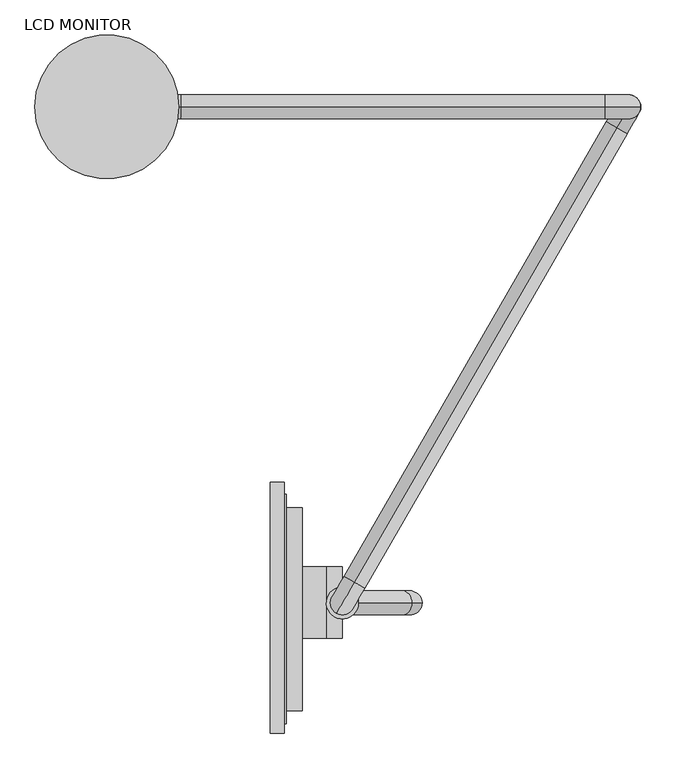
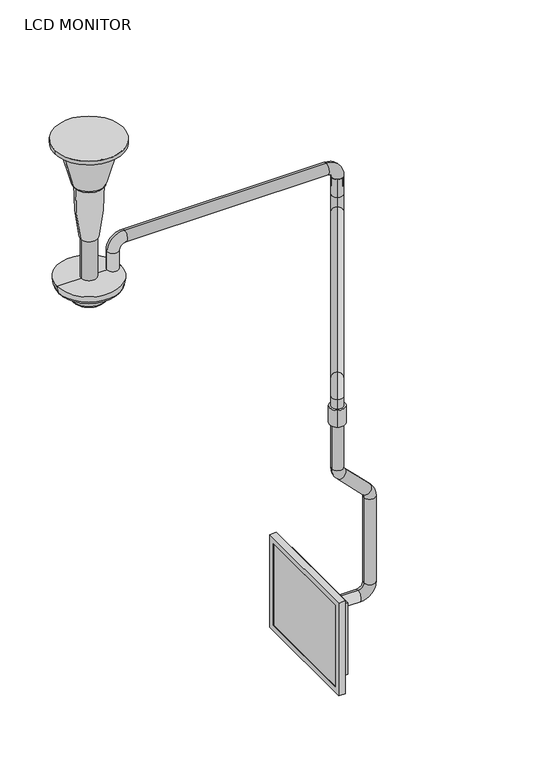
"""IFC4 building model written with IfcOpenShell, lengths in millimetres: proxy geometry, LCD MONITOR."""

from ifc_helpers import new_model, si_unit, point, frame, frame_2d, origin, origin_2d, place, context, project, spatial, polyline, circle_curve, ellipse_curve, trimmed, segment, composite_curve, outline, extrude, source, transform, mapped, element, save
from ifc_brep_helpers import plane_surface, cylinder_surface, revolved_surface, advanced_brep


def lcd_monitor_f162ef87(model_context):
    return source(origin(), model_context, "Body", "SolidModel", [
        extrude(outline(polyline([(261.4965735, -977.1583466), (261.4965735, -619.0183466), (263.0840735, -619.0183466), (263.0840735, -977.1583466), (261.4965735, -977.1583466)])), frame((0.0, 0.0, -1434.8959207), z_axis=(0.0, 0.0, 1.0), x_axis=(1.0, 0.0, 0.0)), (0.0, 0.0, 1.0), 287.02),
        extrude(outline(polyline([(282.1340735, -980.3333466), (282.1340735, -615.8433466), (285.3090735, -615.8433466), (285.3090735, -980.3333466), (282.1340735, -980.3333466)])), frame((0.0, 0.0, -1438.0709207), z_axis=(0.0, 0.0, 1.0), x_axis=(1.0, 0.0, 0.0)), (0.0, 0.0, 1.0), 293.37),
        extrude(outline(composite_curve([segment(trimmed(circle_curve(frame_2d((-1265.1329958, 348.8090735)), 25.4), [point((-1265.1329958, 374.2090735))], [point((-1239.7329958, 348.8090735))], False, "CARTESIAN"), True, "CONTINUOUS"), segment(polyline([(-1239.7329958, 348.8090735), (-1239.7329958, 310.7090735), (-1341.3329958, 310.7090735), (-1341.3329958, 348.8090735)]), True, "CONTINUOUS"), segment(trimmed(circle_curve(frame_2d((-1315.9329958, 348.8090735)), 25.4), [point((-1341.3329958, 348.8090735))], [point((-1315.9329958, 374.2090735))], False, "CARTESIAN"), True, "CONTINUOUS"), segment(polyline([(-1315.9329958, 374.2090735), (-1265.1329958, 374.2090735)]), True, "CONTINUOUS")], self_intersect=False)), frame((0.0, -844.6077391, 0.0), z_axis=(0.0, 1.0, 0.0), x_axis=(0.0, 0.0, 1.0)), (0.0, 0.0, 1.0), 114.3),
        extrude(outline(polyline([(285.3090735, -959.3783466), (285.3090735, -636.7983466), (310.7090735, -636.7983466), (310.7090735, -959.3783466), (285.3090735, -959.3783466)])), frame((0.0, 0.0, -1417.1159207), z_axis=(0.0, 0.0, 1.0), x_axis=(1.0, 0.0, 0.0)), (0.0, 0.0, 1.0), 251.46),
        extrude(outline(polyline([(-994.9383466, -1127.5559207), (-596.1583466, -1127.5559207), (-596.1583466, -1455.2159207), (-994.9383466, -1455.2159207), (-994.9383466, -1127.5559207)]), holes=[polyline([(-974.6183466, -1147.8759207), (-974.6183466, -1434.8959207), (-616.4783466, -1434.8959207), (-616.4783466, -1147.8759207), (-974.6183466, -1147.8759207)])]), frame((259.9090735, 0.0, 0.0), z_axis=(1.0, 0.0, 0.0), x_axis=(0.0, 1.0, 0.0)), (0.0, 0.0, 1.0), 22.225),
        extrude(outline(composite_curve([segment(trimmed(circle_curve(origin_2d(), 114.3), [point((114.3, 0.0))], [point((-114.3, 0.0))], False, "CARTESIAN"), True, "CONTINUOUS"), segment(trimmed(circle_curve(origin_2d(), 114.3), [point((-114.3, 0.0))], [point((114.3, 0.0))], False, "CARTESIAN"), True, "CONTINUOUS")], self_intersect=False)), frame((0.0, 0.0, -12.7), z_axis=(0.0, 0.0, 1.0), x_axis=(1.0, 0.0, 0.0)), (0.0, 0.0, 1.0), 12.7),
        extrude(outline(composite_curve([segment(trimmed(circle_curve(frame_2d((374.396, -788.1541315)), 25.4), [point((387.096, -766.1570863))], [point((361.696, -810.1511768))], False, "CARTESIAN"), True, "CONTINUOUS"), segment(trimmed(circle_curve(frame_2d((374.396, -788.1541315)), 25.4), [point((361.696, -810.1511768))], [point((387.096, -766.1570863))], False, "CARTESIAN"), True, "CONTINUOUS")], self_intersect=False)), frame((0.0, 0.0, -653.8863208), z_axis=(0.0, 0.0, 1.0), x_axis=(1.0, 0.0, 0.0)), (0.0, 0.0, 1.0), 59.0805402),
        advanced_brep(
        [(393.446, -788.1541315, -623.9699224), (355.346, -788.1541315, -623.9699224), (393.446, -788.1541315, -811.3883856), (355.346, -788.1541315, -811.3883856), (372.0848475, -788.1541315, -851.7995382), (399.0256158, -788.1541315, -824.8587698), (484.470226, -788.1541315, -910.30338), (457.5294576, -788.1541315, -937.2441484), (463.1090735, -788.1541315, -950.7145325), (501.2090735, -788.1541315, -950.7145325), (501.2090735, -788.1541315, -1252.4329958), (463.1090735, -788.1541315, -1252.4329958), (444.0590735, -788.1541315, -1271.4829958), (444.0590735, -788.1541315, -1309.5829958), (329.7590735, -788.1541315, -1309.5829958), (329.7590735, -788.1541315, -1271.4829958)],
        [
            (0, 1, circle_curve(frame((374.396, -788.1541315, -623.9699224), z_axis=(0.0, 0.0, 1.0), x_axis=(-1.0, 0.0, 0.0)), 19.05)),
            (1, 0, circle_curve(frame((374.396, -788.1541315, -623.9699224), z_axis=(0.0, 0.0, 1.0), x_axis=(-1.0, 0.0, 0.0)), 19.05)),
            (0, 2),
            (2, 3, circle_curve(frame((374.396, -788.1541315, -811.3883856), z_axis=(0.0, 0.0, 1.0), x_axis=(-1.0, 0.0, 0.0)), 19.05)),
            (3, 1),
            (3, 2, circle_curve(frame((374.396, -788.1541315, -811.3883856), z_axis=(0.0, 0.0, 1.0), x_axis=(-1.0, 0.0, 0.0)), 19.05)),
            (4, 3, circle_curve(frame((412.496, -788.1541315, -811.3883856), z_axis=(0.0, 1.0, 0.0), x_axis=(-1.0, 0.0, 0.0)), 57.15)),
            (2, 5, circle_curve(frame((412.496, -788.1541315, -811.3883856), z_axis=(0.0, -1.0, 0.0), x_axis=(-1.0, 0.0, 0.0)), 19.05)),
            (5, 4, circle_curve(frame((385.5552316, -788.1541315, -838.329154), z_axis=(-0.7071067811865535, 0.0, 0.7071067811865416), x_axis=(-0.7071067811865416, 0.0, -0.7071067811865535)), 19.05)),
            (4, 5, circle_curve(frame((385.5552316, -788.1541315, -838.329154), z_axis=(-0.7071067811865527, 0.0, 0.7071067811865424), x_axis=(-0.7071067811865424, 0.0, -0.7071067811865527)), 19.05)),
            (5, 6),
            (6, 7, circle_curve(frame((470.9998418, -788.1541315, -923.7737642), z_axis=(-0.7071067811865482, 0.0, 0.7071067811865468), x_axis=(-0.7071067811865468, 0.0, -0.7071067811865482)), 19.05)),
            (7, 4),
            (7, 6, circle_curve(frame((470.9998418, -788.1541315, -923.7737642), z_axis=(-0.7071067811865482, 0.0, 0.7071067811865468), x_axis=(-0.7071067811865468, 0.0, -0.7071067811865482)), 19.05)),
            (8, 7, circle_curve(frame((444.0590735, -788.1541315, -950.7145325), z_axis=(0.0, -1.0, 0.0), x_axis=(0.7071067811865466, 0.0, 0.7071067811865486)), 19.05)),
            (6, 9, circle_curve(frame((444.0590735, -788.1541315, -950.7145325), z_axis=(0.0, 1.0, 0.0), x_axis=(0.7071067811865466, 0.0, 0.7071067811865486)), 57.15)),
            (9, 8, circle_curve(frame((482.1590735, -788.1541315, -950.7145325), z_axis=(0.0, 0.0, 1.0), x_axis=(-1.0, 0.0, 0.0)), 19.05)),
            (8, 9, circle_curve(frame((482.1590735, -788.1541315, -950.7145325), z_axis=(0.0, 0.0, 1.0), x_axis=(-1.0, 0.0, 0.0)), 19.05)),
            (9, 10),
            (10, 11, circle_curve(frame((482.1590735, -788.1541315, -1252.4329958), z_axis=(0.0, 0.0, 1.0), x_axis=(-1.0, 0.0, 0.0)), 19.05)),
            (11, 8),
            (11, 10, circle_curve(frame((482.1590735, -788.1541315, -1252.4329958), z_axis=(0.0, 0.0, 1.0), x_axis=(-1.0, 0.0, 0.0)), 19.05)),
            (12, 11, circle_curve(frame((444.0590735, -788.1541315, -1252.4329958), z_axis=(0.0, -1.0, 0.0), x_axis=(1.0, 0.0, 0.0)), 19.05)),
            (10, 13, circle_curve(frame((444.0590735, -788.1541315, -1252.4329958), z_axis=(0.0, 1.0, 0.0), x_axis=(1.0, 0.0, 0.0)), 57.15)),
            (13, 12, circle_curve(frame((444.0590735, -788.1541315, -1290.5329958), z_axis=(1.0, 0.0, 0.0), x_axis=(0.0, 0.0, 1.0)), 19.05)),
            (12, 13, circle_curve(frame((444.0590735, -788.1541315, -1290.5329958), z_axis=(1.0, 0.0, 0.0), x_axis=(0.0, 0.0, 1.0)), 19.05)),
            (14, 15, circle_curve(frame((329.7590735, -788.1541315, -1290.5329958), z_axis=(-1.0, 0.0, 0.0), x_axis=(0.0, 0.0, 1.0)), 19.05)),
            (15, 14, circle_curve(frame((329.7590735, -788.1541315, -1290.5329958), z_axis=(-1.0, 0.0, 0.0), x_axis=(0.0, 0.0, 1.0)), 19.05)),
            (13, 14),
            (15, 12),
        ],
        [
            plane_surface(frame((374.396, -788.1541315, -623.9699224), z_axis=(0.0, 0.0, 1.0), x_axis=(0.0, 1.0, 0.0))),
            cylinder_surface(frame((374.396, -788.1541315, -623.9699224), z_axis=(0.0, 0.0, 1.0), x_axis=(-1.0, 0.0, 0.0)), 19.05),
            revolved_surface(trimmed(ellipse_curve(frame((374.396, -788.1541315, -811.3883856), z_axis=(0.0, 0.0, 1.0), x_axis=(-1.0, 0.0, 0.0)), 19.05, 19.05), [point((393.446, -788.1541315, -811.3883856))], [point((355.346, -788.1541315, -811.3883856))], True, "CARTESIAN"), (412.496, -788.1541315, -811.3883856), (0.0, -1.0, 0.0)),
            revolved_surface(trimmed(ellipse_curve(frame((374.396, -788.1541315, -811.3883856), z_axis=(0.0, 0.0, 1.0), x_axis=(-1.0, 0.0, 0.0)), 19.05, 19.05), [point((355.346, -788.1541315, -811.3883856))], [point((393.446, -788.1541315, -811.3883856))], True, "CARTESIAN"), (412.496, -788.1541315, -811.3883856), (0.0, -1.0, 0.0)),
            cylinder_surface(frame((385.5552316, -788.1541315, -838.329154), z_axis=(-0.7071067811865482, 0.0, 0.7071067811865468), x_axis=(-0.7071067811865468, 0.0, -0.7071067811865482)), 19.05),
            revolved_surface(trimmed(ellipse_curve(frame((470.9998418, -788.1541315, -923.7737642), z_axis=(-0.7071067811865483, 0.0, 0.7071067811865468), x_axis=(-0.7071067811865468, 0.0, -0.7071067811865483)), 19.05, 19.05), [point((484.470226, -788.1541315, -910.30338))], [point((457.5294576, -788.1541315, -937.2441484))], True, "CARTESIAN"), (444.0590735, -788.1541315, -950.7145325), (0.0, 1.0, 0.0)),
            revolved_surface(trimmed(ellipse_curve(frame((470.9998418, -788.1541315, -923.7737642), z_axis=(-0.7071067811865483, 0.0, 0.7071067811865468), x_axis=(-0.7071067811865468, 0.0, -0.7071067811865483)), 19.05, 19.05), [point((457.5294576, -788.1541315, -937.2441484))], [point((484.470226, -788.1541315, -910.30338))], True, "CARTESIAN"), (444.0590735, -788.1541315, -950.7145325), (0.0, 1.0, 0.0)),
            cylinder_surface(frame((482.1590735, -788.1541315, -950.7145325), z_axis=(0.0, 0.0, 1.0), x_axis=(-1.0, 0.0, 0.0)), 19.05),
            revolved_surface(trimmed(ellipse_curve(frame((482.1590735, -788.1541315, -1252.4329958), z_axis=(0.0, 0.0, 1.0), x_axis=(-1.0, 0.0, 0.0)), 19.05, 19.05), [point((501.2090735, -788.1541315, -1252.4329958))], [point((463.1090735, -788.1541315, -1252.4329958))], True, "CARTESIAN"), (444.0590735, -788.1541315, -1252.4329958), (0.0, 1.0, 0.0)),
            revolved_surface(trimmed(ellipse_curve(frame((482.1590735, -788.1541315, -1252.4329958), z_axis=(0.0, 0.0, 1.0), x_axis=(-1.0, 0.0, 0.0)), 19.05, 19.05), [point((463.1090735, -788.1541315, -1252.4329958))], [point((501.2090735, -788.1541315, -1252.4329958))], True, "CARTESIAN"), (444.0590735, -788.1541315, -1252.4329958), (0.0, 1.0, 0.0)),
            plane_surface(frame((329.7590735, -788.1541315, -1290.5329958), z_axis=(-1.0, 0.0, 0.0), x_axis=(0.0, 1.0, 0.0))),
            cylinder_surface(frame((444.0590735, -788.1541315, -1290.5329958), z_axis=(1.0, 0.0, 0.0), x_axis=(0.0, 0.0, 1.0)), 19.05),
        ],
        [
            (0, [[1, 2]]),
            (1, [[-1, 3, 4, 5]]),
            (1, [[-2, -5, 6, -3]]),
            (2, [[7, -4, 8, 9]]),
            (3, [[-8, -6, -7, 10]]),
            (4, [[-9, 11, 12, 13]]),
            (4, [[-10, -13, 14, -11]]),
            (5, [[15, -12, 16, 17]]),
            (6, [[-16, -14, -15, 18]]),
            (7, [[-17, 19, 20, 21]]),
            (7, [[-18, -21, 22, -19]]),
            (8, [[23, -20, 24, 25]]),
            (9, [[-24, -22, -23, 26]]),
            (10, [[27, 28]]),
            (11, [[-25, 29, -28, 30]]),
            (11, [[-26, -30, -27, -29]]),
        ],
    ),
        advanced_brep(
        [(838.962, 16.4977839, -420.7699224), (819.912, -16.4977839, -420.7699224), (838.962, 16.4977839, -484.2699224), (819.912, -16.4977839, -484.2699224), (810.387, -32.9955679, -503.3199224), (810.387, -32.9955679, -541.4199224), (393.446, -755.1585636, -541.4199224), (393.446, -755.1585636, -503.3199224), (364.871, -804.6519155, -560.4699224), (383.921, -771.6563476, -560.4699224), (383.921, -771.6563476, -623.9699224), (364.871, -804.6519155, -623.9699224)],
        [
            (0, 1, circle_curve(frame((829.437, 0.0, -420.7699224), z_axis=(0.0, 0.0, 1.0), x_axis=(-0.4999999999999979, -0.8660254037844399, 0.0)), 19.05)),
            (1, 0, circle_curve(frame((829.437, 0.0, -420.7699224), z_axis=(0.0, 0.0, 1.0), x_axis=(-0.4999999999999979, -0.8660254037844399, 0.0)), 19.05)),
            (0, 2),
            (2, 3, circle_curve(frame((829.437, 0.0, -484.2699224), z_axis=(0.0, 0.0, 1.0), x_axis=(-0.4999999999999979, -0.8660254037844399, 0.0)), 19.05)),
            (3, 1),
            (3, 2, circle_curve(frame((829.437, 0.0, -484.2699224), z_axis=(0.0, 0.0, 1.0), x_axis=(-0.4999999999999979, -0.8660254037844399, 0.0)), 19.05)),
            (4, 3, circle_curve(frame((810.387, -32.9955679, -484.2699224), z_axis=(0.8660254037844399, -0.4999999999999979, 0.0), x_axis=(0.4999999999999979, 0.8660254037844399, 0.0)), 19.05)),
            (2, 5, circle_curve(frame((810.387, -32.9955679, -484.2699224), z_axis=(-0.8660254037844399, 0.4999999999999979, 0.0), x_axis=(0.4999999999999979, 0.8660254037844399, 0.0)), 57.15)),
            (5, 4, circle_curve(frame((810.387, -32.9955679, -522.3699224), z_axis=(0.4999999999999979, 0.8660254037844399, 0.0), x_axis=(0.0, 0.0, 1.0)), 19.05)),
            (4, 5, circle_curve(frame((810.387, -32.9955679, -522.3699224), z_axis=(0.4999999999999979, 0.8660254037844399, 0.0), x_axis=(0.0, 0.0, 1.0)), 19.05)),
            (5, 6),
            (6, 7, circle_curve(frame((393.446, -755.1585636, -522.3699224), z_axis=(0.49999999999999795, 0.8660254037844399, 0.0), x_axis=(0.0, 0.0, 1.0)), 19.05)),
            (7, 4),
            (7, 6, circle_curve(frame((393.446, -755.1585636, -522.3699224), z_axis=(0.49999999999999795, 0.8660254037844399, 0.0), x_axis=(0.0, 0.0, 1.0)), 19.05)),
            (8, 7, circle_curve(frame((393.446, -755.1585636, -560.4699224), z_axis=(-0.8660254037844399, 0.4999999999999979, 0.0), x_axis=(0.0, 0.0, 1.0)), 57.15)),
            (6, 9, circle_curve(frame((393.446, -755.1585636, -560.4699224), z_axis=(0.8660254037844399, -0.4999999999999979, 0.0), x_axis=(0.0, 0.0, 1.0)), 19.05)),
            (9, 8, circle_curve(frame((374.396, -788.1541315, -560.4699224), z_axis=(0.0, 0.0, 1.0), x_axis=(-0.499999999999998, -0.8660254037844398, 0.0)), 19.05)),
            (8, 9, circle_curve(frame((374.396, -788.1541315, -560.4699224), z_axis=(0.0, 0.0, 1.0), x_axis=(-0.499999999999998, -0.8660254037844398, 0.0)), 19.05)),
            (10, 11, circle_curve(frame((374.396, -788.1541315, -623.9699224), z_axis=(0.0, 0.0, -1.0), x_axis=(-0.499999999999998, -0.8660254037844399, 0.0)), 19.05)),
            (11, 10, circle_curve(frame((374.396, -788.1541315, -623.9699224), z_axis=(0.0, 0.0, -1.0), x_axis=(-0.499999999999998, -0.8660254037844399, 0.0)), 19.05)),
            (9, 10),
            (11, 8),
        ],
        [
            plane_surface(frame((829.437, 0.0, -420.7699224), z_axis=(0.0, 0.0, 1.0), x_axis=(-0.8660254037844399, 0.4999999999999979, 0.0))),
            cylinder_surface(frame((829.437, 0.0, -420.7699224), z_axis=(0.0, 0.0, 1.0), x_axis=(-0.4999999999999979, -0.8660254037844399, 0.0)), 19.05),
            revolved_surface(trimmed(ellipse_curve(frame((829.437, 0.0, -484.2699224), z_axis=(0.0, 0.0, 1.0), x_axis=(-0.4999999999999979, -0.8660254037844399, 0.0)), 19.05, 19.05), [point((838.962, 16.4977839, -484.2699224))], [point((819.912, -16.4977839, -484.2699224))], True, "CARTESIAN"), (810.387, -32.9955679, -484.2699224), (-0.8660254037844399, 0.4999999999999979, 0.0)),
            revolved_surface(trimmed(ellipse_curve(frame((829.437, 0.0, -484.2699224), z_axis=(0.0, 0.0, 1.0), x_axis=(-0.4999999999999979, -0.8660254037844399, 0.0)), 19.05, 19.05), [point((819.912, -16.4977839, -484.2699224))], [point((838.962, 16.4977839, -484.2699224))], True, "CARTESIAN"), (810.387, -32.9955679, -484.2699224), (-0.8660254037844399, 0.4999999999999979, 0.0)),
            cylinder_surface(frame((810.387, -32.9955679, -522.3699224), z_axis=(0.49999999999999795, 0.8660254037844399, 0.0), x_axis=(0.0, 0.0, 1.0)), 19.05),
            revolved_surface(trimmed(ellipse_curve(frame((393.446, -755.1585636, -522.3699224), z_axis=(0.49999999999999795, 0.8660254037844399, 0.0), x_axis=(0.0, 0.0, 1.0)), 19.05, 19.05), [point((393.446, -755.1585636, -541.4199224))], [point((393.446, -755.1585636, -503.3199224))], True, "CARTESIAN"), (393.446, -755.1585636, -560.4699224), (0.8660254037844399, -0.4999999999999979, 0.0)),
            revolved_surface(trimmed(ellipse_curve(frame((393.446, -755.1585636, -522.3699224), z_axis=(0.49999999999999795, 0.8660254037844399, 0.0), x_axis=(0.0, 0.0, 1.0)), 19.05, 19.05), [point((393.446, -755.1585636, -503.3199224))], [point((393.446, -755.1585636, -541.4199224))], True, "CARTESIAN"), (393.446, -755.1585636, -560.4699224), (0.8660254037844399, -0.4999999999999979, 0.0)),
            plane_surface(frame((374.396, -788.1541315, -623.9699224), z_axis=(0.0, 0.0, -1.0000000000000002), x_axis=(-0.8660254037844399, 0.499999999999998, 0.0))),
            cylinder_surface(frame((374.396, -788.1541315, -560.4699224), z_axis=(0.0, 0.0, 1.0000000000000002), x_axis=(-0.499999999999998, -0.8660254037844399, 0.0)), 19.05),
        ],
        [
            (0, [[1, 2]]),
            (1, [[-1, 3, 4, 5]]),
            (1, [[-2, -5, 6, -3]]),
            (2, [[7, -4, 8, 9]]),
            (3, [[-8, -6, -7, 10]]),
            (4, [[-9, 11, 12, 13]]),
            (4, [[-10, -13, 14, -11]]),
            (5, [[15, -12, 16, 17]]),
            (6, [[-16, -14, -15, 18]]),
            (7, [[19, 20]]),
            (8, [[-17, 21, -20, 22]]),
            (8, [[-18, -22, -19, -21]]),
        ],
    ),
        advanced_brep(
        [(60.325, 0.0, -484.2699224), (98.425, 0.0, -484.2699224), (60.325, 0.0, -420.7699224), (98.425, 0.0, -420.7699224), (117.475, 0.0, -401.7199224), (117.475, 0.0, -363.6199224), (791.337, 0.0, -363.6199224), (791.337, 0.0, -401.7199224), (810.387, 0.0, -420.7699224), (848.487, 0.0, -420.7699224), (848.487, 0.0, -452.5199224), (810.387, 0.0, -452.5199224)],
        [
            (0, 1, circle_curve(frame((79.375, 0.0, -484.2699224), z_axis=(0.0, 0.0, -1.0), x_axis=(1.0, 0.0, 0.0)), 19.05)),
            (1, 0, circle_curve(frame((79.375, 0.0, -484.2699224), z_axis=(0.0, 0.0, -1.0), x_axis=(1.0, 0.0, 0.0)), 19.05)),
            (0, 2),
            (2, 3, circle_curve(frame((79.375, 0.0, -420.7699224), z_axis=(0.0, 0.0, -1.0), x_axis=(1.0, 0.0, 0.0)), 19.05)),
            (3, 1),
            (3, 2, circle_curve(frame((79.375, 0.0, -420.7699224), z_axis=(0.0, 0.0, -1.0), x_axis=(1.0, 0.0, 0.0)), 19.05)),
            (4, 3, circle_curve(frame((117.475, 0.0, -420.7699224), z_axis=(0.0, -1.0, 0.0), x_axis=(-1.0, 0.0, 0.0)), 19.05)),
            (2, 5, circle_curve(frame((117.475, 0.0, -420.7699224), z_axis=(0.0, 1.0, 0.0), x_axis=(-1.0, 0.0, 0.0)), 57.15)),
            (5, 4, circle_curve(frame((117.475, 0.0, -382.6699224), z_axis=(-1.0, 0.0, 0.0), x_axis=(0.0, 0.0, -1.0)), 19.05)),
            (4, 5, circle_curve(frame((117.475, 0.0, -382.6699224), z_axis=(-1.0, 0.0, 0.0), x_axis=(0.0, 0.0, -1.0)), 19.05)),
            (5, 6),
            (6, 7, circle_curve(frame((791.337, 0.0, -382.6699224), z_axis=(-1.0, 0.0, 0.0), x_axis=(0.0, 0.0, -1.0)), 19.05)),
            (7, 4),
            (7, 6, circle_curve(frame((791.337, 0.0, -382.6699224), z_axis=(-1.0, 0.0, 0.0), x_axis=(0.0, 0.0, -1.0)), 19.05)),
            (8, 7, circle_curve(frame((791.337, 0.0, -420.7699224), z_axis=(0.0, -1.0, 0.0), x_axis=(0.0, 0.0, 1.0)), 19.05)),
            (6, 9, circle_curve(frame((791.337, 0.0, -420.7699224), z_axis=(0.0, 1.0, 0.0), x_axis=(0.0, 0.0, 1.0)), 57.15)),
            (9, 8, circle_curve(frame((829.437, 0.0, -420.7699224), z_axis=(0.0, 0.0, 1.0), x_axis=(-1.0, 0.0, 0.0)), 19.05)),
            (8, 9, circle_curve(frame((829.437, 0.0, -420.7699224), z_axis=(0.0, 0.0, 1.0), x_axis=(-1.0, 0.0, 0.0)), 19.05)),
            (10, 11, circle_curve(frame((829.437, 0.0, -452.5199224), z_axis=(0.0, 0.0, -1.0), x_axis=(-1.0, 0.0, 0.0)), 19.05)),
            (11, 10, circle_curve(frame((829.437, 0.0, -452.5199224), z_axis=(0.0, 0.0, -1.0), x_axis=(-1.0, 0.0, 0.0)), 19.05)),
            (9, 10),
            (11, 8),
        ],
        [
            plane_surface(frame((79.375, 0.0, -484.2699224), z_axis=(0.0, 0.0, -1.0), x_axis=(0.0, -1.0, 0.0))),
            cylinder_surface(frame((79.375, 0.0, -484.2699224), z_axis=(0.0, 0.0, -1.0), x_axis=(1.0, 0.0, 0.0)), 19.05),
            revolved_surface(trimmed(ellipse_curve(frame((79.375, 0.0, -420.7699224), z_axis=(0.0, 0.0, -1.0), x_axis=(1.0, 0.0, 0.0)), 19.05, 19.05), [point((60.325, 0.0, -420.7699224))], [point((98.425, 0.0, -420.7699224))], True, "CARTESIAN"), (117.475, 0.0, -420.7699224), (0.0, 1.0, 0.0)),
            revolved_surface(trimmed(ellipse_curve(frame((79.375, 0.0, -420.7699224), z_axis=(0.0, 0.0, -1.0), x_axis=(1.0, 0.0, 0.0)), 19.05, 19.05), [point((98.425, 0.0, -420.7699224))], [point((60.325, 0.0, -420.7699224))], True, "CARTESIAN"), (117.475, 0.0, -420.7699224), (0.0, 1.0, 0.0)),
            cylinder_surface(frame((117.475, 0.0, -382.6699224), z_axis=(-1.0, 0.0, 0.0), x_axis=(0.0, 0.0, -1.0)), 19.05),
            revolved_surface(trimmed(ellipse_curve(frame((791.337, 0.0, -382.6699224), z_axis=(-1.0, 0.0, 0.0), x_axis=(0.0, 0.0, -1.0)), 19.05, 19.05), [point((791.337, 0.0, -363.6199224))], [point((791.337, 0.0, -401.7199224))], True, "CARTESIAN"), (791.337, 0.0, -420.7699224), (0.0, 1.0, 0.0)),
            revolved_surface(trimmed(ellipse_curve(frame((791.337, 0.0, -382.6699224), z_axis=(-1.0, 0.0, 0.0), x_axis=(0.0, 0.0, -1.0)), 19.05, 19.05), [point((791.337, 0.0, -401.7199224))], [point((791.337, 0.0, -363.6199224))], True, "CARTESIAN"), (791.337, 0.0, -420.7699224), (0.0, 1.0, 0.0)),
            plane_surface(frame((829.437, 0.0, -452.5199224), z_axis=(0.0, 0.0, -1.0), x_axis=(0.0, -1.0, 0.0))),
            cylinder_surface(frame((829.437, 0.0, -420.7699224), z_axis=(0.0, 0.0, 1.0), x_axis=(-1.0, 0.0, 0.0)), 19.05),
        ],
        [
            (0, [[1, 2]]),
            (1, [[-1, 3, 4, 5]]),
            (1, [[-2, -5, 6, -3]]),
            (2, [[7, -4, 8, 9]]),
            (3, [[-8, -6, -7, 10]]),
            (4, [[-9, 11, 12, 13]]),
            (4, [[-10, -13, 14, -11]]),
            (5, [[15, -12, 16, 17]]),
            (6, [[-16, -14, -15, 18]]),
            (7, [[19, 20]]),
            (8, [[-17, 21, -20, 22]]),
            (8, [[-18, -22, -19, -21]]),
        ],
    ),
        advanced_brep(
        [(44.4146839, 0.0, -155.6072037), (-44.4146839, 0.0, -155.6072037), (0.0, 0.0, -155.6072037), (27.9274547, 0.0, -344.0570959), (-27.9274547, 0.0, -344.0570959), (0.0, 0.0, -344.0570959)],
        [
            (0, 1, circle_curve(frame((0.0, 0.0, -155.6072037), z_axis=(0.0, 0.0, 1.0), x_axis=(-1.0, 0.0, 0.0)), 44.4146839)),
            (1, 2),
            (2, 0),
            (1, 0, circle_curve(frame((0.0, 0.0, -155.6072037), z_axis=(0.0, 0.0, 1.0), x_axis=(-1.0, 0.0, 0.0)), 44.4146839)),
            (3, 4, circle_curve(frame((0.0, 0.0, -344.0570959), z_axis=(0.0, 0.0, 1.0), x_axis=(-1.0, 0.0, 0.0)), 27.9274547)),
            (4, 1, circle_curve(frame((768.7417451, 0.0, -179.4114034), z_axis=(0.0, 1.0, 0.0), x_axis=(1.0, 0.0, 0.0)), 813.5047744)),
            (0, 3, circle_curve(frame((-768.7417451, 0.0, -179.4114034), z_axis=(0.0, 1.0, 0.0), x_axis=(-1.0, 0.0, 0.0)), 813.5047744)),
            (4, 3, circle_curve(frame((0.0, 0.0, -344.0570959), z_axis=(0.0, 0.0, 1.0), x_axis=(-1.0, 0.0, 0.0)), 27.9274547)),
            (5, 4),
            (3, 5),
        ],
        [
            plane_surface(frame((0.0, 0.0, -155.6072037), z_axis=(0.0, 0.0, 1.0), x_axis=(-1.0, 0.0, 0.0))),
            revolved_surface(trimmed(ellipse_curve(frame((768.7417451, 0.0, -179.4114034), z_axis=(0.0, -1.0, 0.0), x_axis=(1.0, 0.0, 0.0)), 813.5047744, 813.5047744), [point((-44.4146839, 0.0, -155.6072037))], [point((-27.9274547, 0.0, -344.0570959))], True, "CARTESIAN"), (0.0, 0.0, -130.2072037), (0.0, 0.0, -1.0)),
            plane_surface(frame((0.0, 0.0, -344.0570959), z_axis=(0.0, 0.0, -1.0), x_axis=(-1.0, 0.0, 0.0))),
        ],
        [
            (0, [[1, 2, 3]]),
            (0, [[4, -3, -2]]),
            (1, [[5, 6, -1, 7]]),
            (1, [[8, -7, -4, -6]]),
            (2, [[9, -5, 10]]),
            (2, [[-10, -8, -9]]),
        ],
    ),
        advanced_brep(
        [(98.6450527, 0.0, -12.7), (-98.6450527, 0.0, -12.7), (0.0, 0.0, -12.7), (86.3777948, 0.0, -22.1129981), (-86.3777948, 0.0, -22.1129981), (51.9781828, 0.0, -150.4940978), (-51.9781828, 0.0, -150.4940978), (39.7109248, 0.0, -159.9070959), (-39.7109248, 0.0, -159.9070959), (0.0, 0.0, -159.9070959)],
        [
            (0, 1, circle_curve(frame((0.0, 0.0, -12.7), z_axis=(0.0, 0.0, 1.0), x_axis=(-1.0, 0.0, 0.0)), 98.6450527)),
            (1, 2),
            (2, 0),
            (1, 0, circle_curve(frame((0.0, 0.0, -12.7), z_axis=(0.0, 0.0, 1.0), x_axis=(-1.0, 0.0, 0.0)), 98.6450527)),
            (3, 4, circle_curve(frame((0.0, 0.0, -22.1129981), z_axis=(0.0, 0.0, 1.0), x_axis=(-1.0, 0.0, 0.0)), 86.3777948)),
            (4, 1, circle_curve(frame((-98.6450527, 0.0, -25.4), z_axis=(0.0, -1.0, 0.0), x_axis=(1.0, 0.0, 0.0)), 12.7)),
            (0, 3, circle_curve(frame((98.6450527, 0.0, -25.4), z_axis=(0.0, -1.0, 0.0), x_axis=(-1.0, 0.0, 0.0)), 12.7)),
            (4, 3, circle_curve(frame((0.0, 0.0, -22.1129981), z_axis=(0.0, 0.0, 1.0), x_axis=(-1.0, 0.0, 0.0)), 86.3777948)),
            (5, 6, circle_curve(frame((0.0, 0.0, -150.4940978), z_axis=(0.0, 0.0, 1.0), x_axis=(-1.0, 0.0, 0.0)), 51.9781828)),
            (6, 4),
            (3, 5),
            (6, 5, circle_curve(frame((0.0, 0.0, -150.4940978), z_axis=(0.0, 0.0, 1.0), x_axis=(-1.0, 0.0, 0.0)), 51.9781828)),
            (7, 8, circle_curve(frame((0.0, 0.0, -159.9070959), z_axis=(0.0, 0.0, 1.0), x_axis=(-1.0, 0.0, 0.0)), 39.7109248)),
            (8, 6, circle_curve(frame((-39.7109248, 0.0, -147.2070959), z_axis=(0.0, 1.0, 0.0), x_axis=(1.0, 0.0, 0.0)), 12.7)),
            (5, 7, circle_curve(frame((39.7109248, 0.0, -147.2070959), z_axis=(0.0, 1.0, 0.0), x_axis=(-1.0, 0.0, 0.0)), 12.7)),
            (8, 7, circle_curve(frame((0.0, 0.0, -159.9070959), z_axis=(0.0, 0.0, 1.0), x_axis=(-1.0, 0.0, 0.0)), 39.7109248)),
            (9, 8),
            (7, 9),
        ],
        [
            plane_surface(frame((0.0, 0.0, -12.7), z_axis=(0.0, 0.0, 1.0), x_axis=(-1.0, 0.0, 0.0))),
            revolved_surface(trimmed(ellipse_curve(frame((-98.6450527, 0.0, -25.4), z_axis=(0.0, 1.0, 0.0), x_axis=(1.0, 0.0, 0.0)), 12.7, 12.7), [point((-98.6450527, 0.0, -12.7))], [point((-86.3777948, 0.0, -22.1129981))], True, "CARTESIAN"), (0.0, 0.0, 6.35), (0.0, 0.0, -1.0)),
            revolved_surface(polyline([(-86.3777948, 0.0, -22.1129981), (-51.9781828, 0.0, -150.4940978)]), (0.0, 0.0, 6.35), (0.0, 0.0, -1.0)),
            revolved_surface(trimmed(ellipse_curve(frame((-39.7109248, 0.0, -147.2070959), z_axis=(0.0, -1.0, 0.0), x_axis=(1.0, 0.0, 0.0)), 12.7, 12.7), [point((-51.9781828, 0.0, -150.4940978))], [point((-39.7109248, 0.0, -159.9070959))], True, "CARTESIAN"), (0.0, 0.0, 6.35), (0.0, 0.0, -1.0)),
            plane_surface(frame((0.0, 0.0, -159.9070959), z_axis=(0.0, 0.0, -1.0), x_axis=(-1.0, 0.0, 0.0))),
        ],
        [
            (0, [[1, 2, 3]]),
            (0, [[4, -3, -2]]),
            (1, [[5, 6, -1, 7]]),
            (1, [[8, -7, -4, -6]]),
            (2, [[9, 10, -5, 11]]),
            (2, [[12, -11, -8, -10]]),
            (3, [[13, 14, -9, 15]]),
            (3, [[16, -15, -12, -14]]),
            (4, [[17, -13, 18]]),
            (4, [[-18, -16, -17]]),
        ],
    ),
        advanced_brep(
        [(103.0341248, 0.0, -505.3831735), (-103.0341248, 0.0, -505.3831735), (-106.553, 0.0, -484.2699224), (106.553, 0.0, -484.2699224), (93.7939238, 0.0, -515.5625644), (-93.7939238, 0.0, -515.5625644), (70.9385629, 0.0, -521.6866399), (-70.9385629, 0.0, -521.6866399), (62.0731469, 0.0, -530.2648953), (-62.0731469, 0.0, -530.2648953), (54.8911135, 0.0, -553.9241555), (-54.8911135, 0.0, -553.9241555), (50.6470527, 0.0, -560.1723502), (-50.6470527, 0.0, -560.1723502), (0.0, 0.0, -579.882), (0.0, 0.0, -484.2699224)],
        [
            (0, 1, circle_curve(frame((0.0, 0.0, -505.3831735), z_axis=(0.0, 0.0, 1.0), x_axis=(-1.0, 0.0, 0.0)), 103.0341248)),
            (1, 2),
            (2, 3, circle_curve(frame((0.0, 0.0, -484.2699224), z_axis=(0.0, 0.0, -1.0), x_axis=(-1.0, 0.0, 0.0)), 106.553)),
            (3, 0),
            (1, 0, circle_curve(frame((0.0, 0.0, -505.3831735), z_axis=(0.0, 0.0, 1.0), x_axis=(-1.0, 0.0, 0.0)), 103.0341248)),
            (3, 2, circle_curve(frame((0.0, 0.0, -484.2699224), z_axis=(0.0, 0.0, -1.0), x_axis=(-1.0, 0.0, 0.0)), 106.553)),
            (4, 5, circle_curve(frame((0.0, 0.0, -515.5625644), z_axis=(0.0, 0.0, 1.0), x_axis=(-1.0, 0.0, 0.0)), 93.7939238)),
            (5, 1, circle_curve(frame((-90.506922, 0.0, -503.2953064), z_axis=(0.0, 1.0, 0.0), x_axis=(1.0, 0.0, 0.0)), 12.7)),
            (0, 4, circle_curve(frame((90.506922, 0.0, -503.2953064), z_axis=(0.0, 1.0, 0.0), x_axis=(-1.0, 0.0, 0.0)), 12.7)),
            (5, 4, circle_curve(frame((0.0, 0.0, -515.5625644), z_axis=(0.0, 0.0, 1.0), x_axis=(-1.0, 0.0, 0.0)), 93.7939238)),
            (6, 7, circle_curve(frame((0.0, 0.0, -521.6866399), z_axis=(0.0, 0.0, 1.0), x_axis=(-1.0, 0.0, 0.0)), 70.9385629)),
            (7, 5),
            (4, 6),
            (7, 6, circle_curve(frame((0.0, 0.0, -521.6866399), z_axis=(0.0, 0.0, 1.0), x_axis=(-1.0, 0.0, 0.0)), 70.9385629)),
            (8, 9, circle_curve(frame((0.0, 0.0, -530.2648953), z_axis=(0.0, 0.0, 1.0), x_axis=(-1.0, 0.0, 0.0)), 62.0731469)),
            (9, 7, circle_curve(frame((-74.2255648, 0.0, -533.9538979), z_axis=(0.0, -1.0, 0.0), x_axis=(1.0, 0.0, 0.0)), 12.7)),
            (6, 8, circle_curve(frame((74.2255648, 0.0, -533.9538979), z_axis=(0.0, -1.0, 0.0), x_axis=(-1.0, 0.0, 0.0)), 12.7)),
            (9, 8, circle_curve(frame((0.0, 0.0, -530.2648953), z_axis=(0.0, 0.0, 1.0), x_axis=(-1.0, 0.0, 0.0)), 62.0731469)),
            (10, 11, circle_curve(frame((0.0, 0.0, -553.9241555), z_axis=(0.0, 0.0, 1.0), x_axis=(-1.0, 0.0, 0.0)), 54.8911135)),
            (11, 9),
            (8, 10),
            (11, 10, circle_curve(frame((0.0, 0.0, -553.9241555), z_axis=(0.0, 0.0, 1.0), x_axis=(-1.0, 0.0, 0.0)), 54.8911135)),
            (12, 13, circle_curve(frame((0.0, 0.0, -560.1723502), z_axis=(0.0, 0.0, 1.0), x_axis=(-1.0, 0.0, 0.0)), 50.6470527)),
            (13, 11, circle_curve(frame((-42.7386956, 0.0, -550.235153), z_axis=(0.0, 1.0, 0.0), x_axis=(1.0, 0.0, 0.0)), 12.7)),
            (10, 12, circle_curve(frame((42.7386956, 0.0, -550.235153), z_axis=(0.0, 1.0, 0.0), x_axis=(-1.0, 0.0, 0.0)), 12.7)),
            (13, 12, circle_curve(frame((0.0, 0.0, -560.1723502), z_axis=(0.0, 0.0, 1.0), x_axis=(-1.0, 0.0, 0.0)), 50.6470527)),
            (14, 13, circle_curve(frame((6.4139694, 0.0, -488.472676), z_axis=(0.0, 1.0, 0.0), x_axis=(1.0, 0.0, 0.0)), 91.634074)),
            (12, 14, circle_curve(frame((-6.4139694, 0.0, -488.472676), z_axis=(0.0, 1.0, 0.0), x_axis=(-1.0, 0.0, 0.0)), 91.634074)),
            (2, 15),
            (15, 3),
        ],
        [
            revolved_surface(polyline([(-106.553, 0.0, -484.2699224), (-103.0341248, 0.0, -505.3831735)]), (0.0, 0.0, -458.8699224), (0.0, 0.0, -1.0)),
            revolved_surface(trimmed(ellipse_curve(frame((-90.506922, 0.0, -503.2953064), z_axis=(0.0, -1.0, 0.0), x_axis=(1.0, 0.0, 0.0)), 12.7, 12.7), [point((-103.0341248, 0.0, -505.3831735))], [point((-93.7939238, 0.0, -515.5625644))], True, "CARTESIAN"), (0.0, 0.0, -458.8699224), (0.0, 0.0, -1.0)),
            revolved_surface(polyline([(-93.7939238, 0.0, -515.5625644), (-70.9385629, 0.0, -521.6866399)]), (0.0, 0.0, -458.8699224), (0.0, 0.0, -1.0)),
            revolved_surface(trimmed(ellipse_curve(frame((-74.2255648, 0.0, -533.9538979), z_axis=(0.0, 1.0, 0.0), x_axis=(1.0, 0.0, 0.0)), 12.7, 12.7), [point((-70.9385629, 0.0, -521.6866399))], [point((-62.0731469, 0.0, -530.2648953))], True, "CARTESIAN"), (0.0, 0.0, -458.8699224), (0.0, 0.0, -1.0)),
            revolved_surface(polyline([(-62.0731469, 0.0, -530.2648953), (-54.8911135, 0.0, -553.9241555)]), (0.0, 0.0, -458.8699224), (0.0, 0.0, -1.0)),
            revolved_surface(trimmed(ellipse_curve(frame((-42.7386956, 0.0, -550.235153), z_axis=(0.0, -1.0, 0.0), x_axis=(1.0, 0.0, 0.0)), 12.7, 12.7), [point((-54.8911135, 0.0, -553.9241555))], [point((-50.6470527, 0.0, -560.1723502))], True, "CARTESIAN"), (0.0, 0.0, -458.8699224), (0.0, 0.0, -1.0)),
            revolved_surface(trimmed(ellipse_curve(frame((6.4139694, 0.0, -488.472676), z_axis=(0.0, -1.0, 0.0), x_axis=(1.0, 0.0, 0.0)), 91.634074, 91.634074), [point((-50.6470527, 0.0, -560.1723502))], [point((0.0, 0.0, -579.882))], True, "CARTESIAN"), (0.0, 0.0, -458.8699224), (0.0, 0.0, -1.0)),
            plane_surface(frame((0.0, 0.0, -484.2699224), z_axis=(0.0, 0.0, 1.0), x_axis=(-1.0, 0.0, 0.0))),
        ],
        [
            (0, [[1, 2, 3, 4]]),
            (0, [[5, -4, 6, -2]]),
            (1, [[7, 8, -1, 9]]),
            (1, [[10, -9, -5, -8]]),
            (2, [[11, 12, -7, 13]]),
            (2, [[14, -13, -10, -12]]),
            (3, [[15, 16, -11, 17]]),
            (3, [[18, -17, -14, -16]]),
            (4, [[19, 20, -15, 21]]),
            (4, [[22, -21, -18, -20]]),
            (5, [[23, 24, -19, 25]]),
            (5, [[26, -25, -22, -24]]),
            (6, [[27, -23, 28]]),
            (6, [[-28, -26, -27]]),
            (7, [[-3, 29, 30]]),
            (7, [[-6, -30, -29]]),
        ],
    ),
        extrude(outline(composite_curve([segment(trimmed(circle_curve(origin_2d(), 25.4), [point((25.4, 0.0))], [point((-25.4, 0.0))], False, "CARTESIAN"), True, "CONTINUOUS"), segment(trimmed(circle_curve(origin_2d(), 25.4), [point((-25.4, 0.0))], [point((25.4, 0.0))], False, "CARTESIAN"), True, "CONTINUOUS")], self_intersect=False)), frame((0.0, 0.0, -484.2699224), z_axis=(0.0, 0.0, 1.0), x_axis=(1.0, 0.0, 0.0)), (0.0, 0.0, 1.0), 408.0699224),
    ])


if __name__ == "__main__":
    model = new_model("IFC4")
    model_context = context("Model", 3, world=origin())
    ifc_project = project(units=[si_unit("LENGTHUNIT", "METRE", prefix="MILLI")], contexts=[model_context])
    site = spatial("IfcSite", under=ifc_project)
    building = spatial("IfcBuilding", under=site)
    placement = place(None, origin())
    lcd_monitor_shape = lcd_monitor_f162ef87(model_context)
    element("IfcBuildingElementProxy", 1, Name="LCD MONITOR", ObjectType="LCD MONITOR", at=placement, inside=building, context=model_context, shape_type="MappedRepresentation", body=[
        mapped(lcd_monitor_shape, transform((0.0, 0.0, 0.0), x_axis=(1.0, 0.0, 0.0), y_axis=(0.0, 1.0, 0.0), z_axis=(0.0, 0.0, 1.0))),
    ])
    save(model, "model.ifc")
